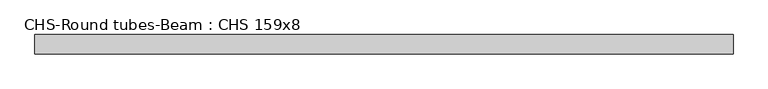
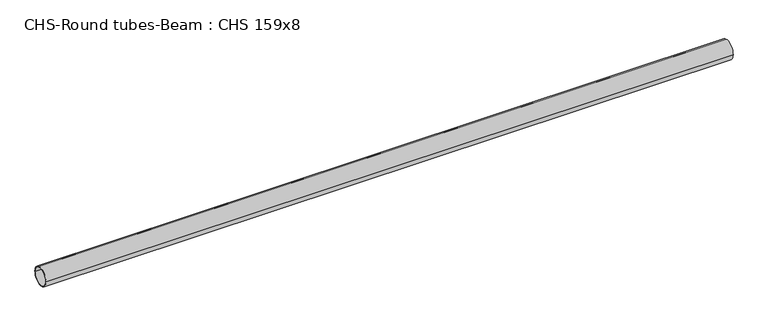
"""IFC4 building model written with IfcOpenShell, lengths in millimetres: beam geometry, CHS-Round tubes-Beam : CHS 159x8."""

from ifc_helpers import new_model, si_unit, point, frame, origin, origin_2d, place, context, project, spatial, circle_curve, trimmed, segment, composite_curve, outline, extrude, source, transform, mapped, element, save


def chs_round_tubes_beam_chs_159x8_4fc54e13(model_context):
    return source(origin(), model_context, "Body", "SweptSolid", [
        extrude(outline(composite_curve([segment(trimmed(circle_curve(origin_2d(), 79.5), [point((79.5, 0.0))], [point((-79.5, 0.0))], False, "CARTESIAN"), True, "CONTINUOUS"), segment(trimmed(circle_curve(origin_2d(), 79.5), [point((-79.5, 0.0))], [point((79.5, 0.0))], False, "CARTESIAN"), True, "CONTINUOUS")], self_intersect=False), holes=[composite_curve([segment(trimmed(circle_curve(origin_2d(), 71.5), [point((71.5, 0.0))], [point((-71.5, 0.0))], True, "CARTESIAN"), True, "CONTINUOUS"), segment(trimmed(circle_curve(origin_2d(), 71.5), [point((-71.5, 0.0))], [point((71.5, 0.0))], True, "CARTESIAN"), True, "CONTINUOUS")], self_intersect=False)]), frame((-2805.7264245, 0.0, 0.0), z_axis=(1.0, 0.0, 0.0), x_axis=(0.0, 1.0, 0.0)), (0.0, 0.0, 1.0), 5746.9322366),
    ])


if __name__ == "__main__":
    model = new_model("IFC4")
    model_context = context("Model", 3, world=origin())
    ifc_project = project(units=[si_unit("LENGTHUNIT", "METRE", prefix="MILLI")], contexts=[model_context])
    site = spatial("IfcSite", under=ifc_project)
    building = spatial("IfcBuilding", under=site)
    placement = place(None, origin())
    chs_round_tubes_beam_chs_159x8_shape = chs_round_tubes_beam_chs_159x8_4fc54e13(model_context)
    element("IfcBeam", 1, ObjectType="CHS-Round tubes-Beam : CHS 159x8", at=placement, inside=building, context=model_context, shape_type="MappedRepresentation", body=[
        mapped(chs_round_tubes_beam_chs_159x8_shape, transform((0.0, 0.0, 0.0), x_axis=(1.0, 0.0, 0.0), y_axis=(0.0, 1.0, 0.0), z_axis=(0.0, 0.0, 1.0))),
    ])
    save(model, "model.ifc")
